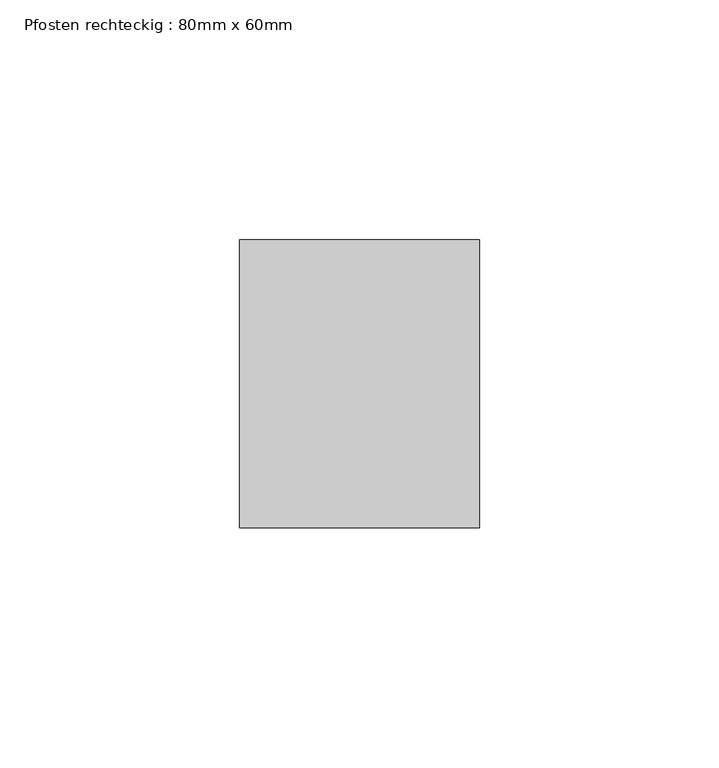
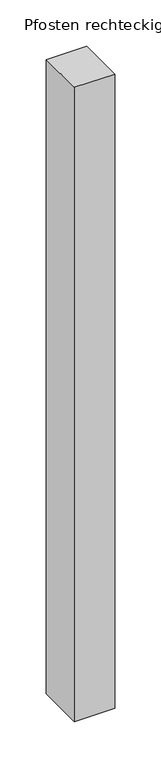
"""IFC4 building model written with IfcOpenShell, lengths in millimetres: member geometry, Pfosten rechteckig : 80mm x 60mm."""

from ifc_helpers import new_model, si_unit, frame, origin, place, context, project, spatial, polyline, outline, extrude, source, transform, mapped, element, save


def pfosten_rechteckig_80mm_x_60mm_81b095f3(model_context):
    return source(origin(), model_context, "Body", "SweptSolid", [
        extrude(outline(polyline([(0.0, 30.0), (0.0, -30.0), (-50.0, -30.0), (-50.0, 30.0), (0.0, 30.0)])), frame((0.0, 0.0, -833.3333333), z_axis=(0.0, 0.0, 1.0), x_axis=(1.0, 0.0, 0.0)), (0.0, 0.0, 1.0), 833.3333333),
    ])


if __name__ == "__main__":
    model = new_model("IFC4")
    model_context = context("Model", 3, world=origin())
    ifc_project = project(units=[si_unit("LENGTHUNIT", "METRE", prefix="MILLI")], contexts=[model_context])
    site = spatial("IfcSite", under=ifc_project)
    building = spatial("IfcBuilding", under=site)
    placement = place(None, origin())
    pfosten_rechteckig_80mm_x_60mm_shape = pfosten_rechteckig_80mm_x_60mm_81b095f3(model_context)
    element("IfcMember", 1, ObjectType="Pfosten rechteckig : 80mm x 60mm", at=placement, inside=building, context=model_context, shape_type="MappedRepresentation", body=[
        mapped(pfosten_rechteckig_80mm_x_60mm_shape, transform((0.0, 0.0, 0.0), x_axis=(1.0, 0.0, 0.0), y_axis=(0.0, 1.0, 0.0), z_axis=(0.0, 0.0, 1.0))),
    ])
    save(model, "model.ifc")
